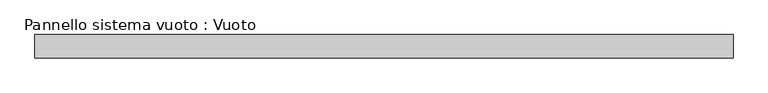
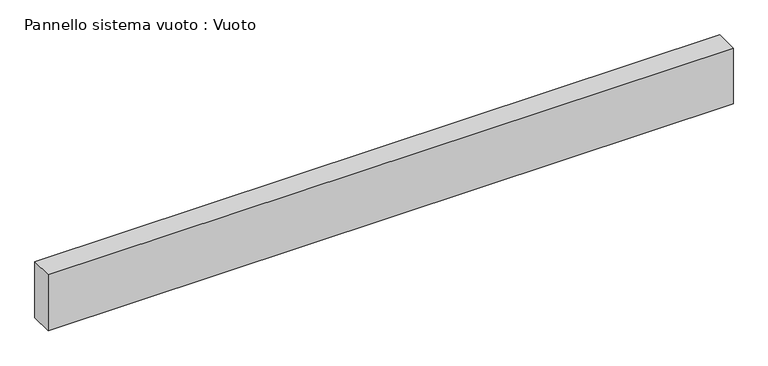
"""IFC4 building model written with IfcOpenShell, lengths in millimetres: plate geometry, Pannello sistema vuoto : Vuoto."""

from ifc_helpers import new_model, si_unit, origin, origin_with_axes, place, context, project, spatial, polyline, outline, extrude, source, transform, mapped, element, save


def pannello_sistema_vuoto_vuoto_592cb797(model_context):
    return source(origin(), model_context, "Body", "SweptSolid", [
        extrude(outline(polyline([(1500.0, -50.0), (-1500.0, -50.0), (-1500.0, 50.0), (1500.0, 50.0), (1500.0, -50.0)])), origin_with_axes(), (0.0, 0.0, 1.0), 259.1),
    ])


if __name__ == "__main__":
    model = new_model("IFC4")
    model_context = context("Model", 3, world=origin())
    ifc_project = project(units=[si_unit("LENGTHUNIT", "METRE", prefix="MILLI")], contexts=[model_context])
    site = spatial("IfcSite", under=ifc_project)
    building = spatial("IfcBuilding", under=site)
    placement = place(None, origin())
    pannello_sistema_vuoto_vuoto_shape = pannello_sistema_vuoto_vuoto_592cb797(model_context)
    element("IfcPlate", 1, ObjectType="Pannello sistema vuoto : Vuoto", at=placement, inside=building, context=model_context, shape_type="MappedRepresentation", body=[
        mapped(pannello_sistema_vuoto_vuoto_shape, transform((0.0, 0.0, 0.0), x_axis=(1.0, 0.0, 0.0), y_axis=(0.0, 1.0, 0.0), z_axis=(0.0, 0.0, 1.0))),
    ])
    save(model, "model.ifc")
